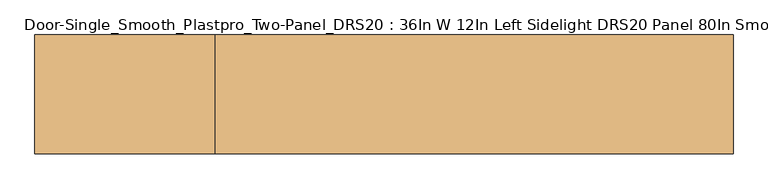
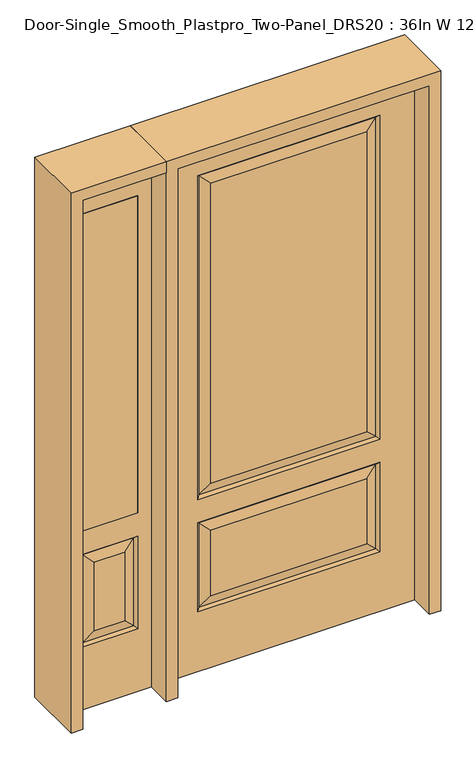
"""IFC4 building model written with IfcOpenShell, lengths in millimetres: door geometry, Door-Single_Smooth_Plastpro_Two-Panel_DRS20 : 36In W 12In Left Sidelight DRS20 Panel 80In Smooth."""

from ifc_helpers import new_model, si_unit, frame, origin, place, context, project, spatial, polyline, outline, extrude, faceted_brep, source, transform, mapped, element, save


def door_single_smooth_plastpro_two_panel_drs20_36in_w_12in_left_24a31879(model_context):
    return source(origin(), model_context, "Body", "SolidModel", [
        extrude(outline(polyline([(-549.275, -20.6375), (-752.475, -20.6375), (-752.475, 20.6375), (-549.275, 20.6375), (-549.275, -20.6375)])), frame((0.0, 0.0, 685.8), z_axis=(0.0, 0.0, 1.0), x_axis=(1.0, 0.0, 0.0)), (0.0, 0.0, 1.0), 1219.2),
        faceted_brep([(-803.275, -20.6375, 0.0), (-498.475, -20.6375, 0.0), (-498.475, -20.6375, 2032.0), (-803.275, -20.6375, 2032.0), (-549.275, -20.6375, 685.8), (-752.475, -20.6375, 685.8), (-752.475, -20.6375, 1905.0), (-549.275, -20.6375, 1905.0), (-549.275, -20.6375, 241.3), (-752.475, -20.6375, 241.3), (-752.475, -20.6375, 596.9), (-549.275, -20.6375, 596.9), (-706.4375, -20.6375, 287.3375), (-595.3125, -20.6375, 287.3375), (-595.3125, -20.6375, 550.8625), (-706.4375, -20.6375, 550.8625), (-803.275, 20.6375, 0.0), (-498.475, 20.6375, 0.0), (-498.475, 20.6375, 2032.0), (-803.275, 20.6375, 2032.0), (-558.2552561, -11.6572439, 250.2802561), (-743.4947439, -11.6572439, 250.2802561), (-743.4947439, -11.6572439, 587.9197439), (-558.2552561, -11.6572439, 587.9197439), (-549.275, 20.6375, 685.8), (-752.475, 20.6375, 685.8), (-752.475, 20.6375, 1905.0), (-549.275, 20.6375, 1905.0), (-752.475, 20.6375, 241.3), (-549.275, 20.6375, 241.3), (-549.275, 20.6375, 596.9), (-752.475, 20.6375, 596.9), (-595.3125, 20.6375, 287.3375), (-706.4375, 20.6375, 287.3375), (-706.4375, 20.6375, 550.8625), (-595.3125, 20.6375, 550.8625), (-743.4947439, 11.6572439, 250.2802561), (-558.2552561, 11.6572439, 250.2802561), (-558.2552561, 11.6572439, 587.9197439), (-743.4947439, 11.6572439, 587.9197439)], [[[0, 1, 2, 3], [4, 5, 6, 7], [8, 9, 10, 11]], [[12, 13, 14, 15]], [[1, 0, 16, 17]], [[2, 1, 17, 18]], [[0, 3, 19, 16]], [[20, 21, 9, 8]], [[9, 21, 22, 10]], [[10, 22, 23, 11]], [[20, 8, 11, 23]], [[21, 20, 13, 12]], [[13, 20, 23, 14]], [[22, 15, 14, 23]], [[21, 12, 15, 22]], [[4, 24, 25, 5]], [[5, 25, 26, 6]], [[24, 4, 7, 27]], [[16, 19, 18, 17], [25, 24, 27, 26], [28, 29, 30, 31]], [[32, 33, 34, 35]], [[28, 36, 37, 29]], [[29, 37, 38, 30]], [[39, 31, 30, 38]], [[36, 28, 31, 39]], [[37, 36, 33, 32]], [[33, 36, 39, 34]], [[34, 39, 38, 35]], [[37, 32, 35, 38]], [[3, 2, 18, 19]], [[27, 7, 6, 26]]]),
        faceted_brep([(457.2, 20.6375, 0.0), (457.2, -20.6375, 0.0), (-457.2, -20.6375, 0.0), (-457.2, 20.6375, 0.0), (457.2, 20.6375, 2032.0), (457.2, -20.6375, 2032.0), (-284.1625, -20.6375, 706.4375), (284.1625, -20.6375, 706.4375), (284.1625, -20.6375, 1858.9625), (-284.1625, -20.6375, 1858.9625), (-284.1625, -20.6375, 274.6375), (284.1625, -20.6375, 274.6375), (284.1625, -20.6375, 525.4625), (-284.1625, -20.6375, 525.4625), (-457.2, -20.6375, 2032.0), (330.2, -20.6375, 660.4), (-330.2, -20.6375, 660.4), (-330.2, -20.6375, 1905.0), (330.2, -20.6375, 1905.0), (330.2, -20.6375, 228.6), (-330.2, -20.6375, 228.6), (-330.2, -20.6375, 571.5), (330.2, -20.6375, 571.5), (-457.2, 20.6375, 2032.0), (-284.1625, 20.6375, 525.4625), (284.1625, 20.6375, 525.4625), (284.1625, 20.6375, 274.6375), (-284.1625, 20.6375, 274.6375), (-284.1625, 20.6375, 1858.9625), (284.1625, 20.6375, 1858.9625), (284.1625, 20.6375, 706.4375), (-284.1625, 20.6375, 706.4375), (330.2, 20.6375, 571.5), (-330.2, 20.6375, 571.5), (-330.2, 20.6375, 228.6), (330.2, 20.6375, 228.6), (330.2, 20.6375, 1905.0), (-330.2, 20.6375, 1905.0), (-330.2, 20.6375, 660.4), (330.2, 20.6375, 660.4), (-321.2197439, 11.6572439, 1896.0197439), (-321.2197439, 11.6572439, 669.3802561), (321.2197439, 11.6572439, 669.3802561), (321.2197439, 11.6572439, 1896.0197439), (321.2197439, 11.6572439, 562.5197439), (-321.2197439, 11.6572439, 562.5197439), (-321.2197439, 11.6572439, 237.5802561), (321.2197439, 11.6572439, 237.5802561), (321.2197439, -11.6572439, 669.3802561), (-321.2197439, -11.6572439, 669.3802561), (-321.2197439, -11.6572439, 1896.0197439), (321.2197439, -11.6572439, 1896.0197439), (321.2197439, -11.6572439, 237.5802561), (-321.2197439, -11.6572439, 237.5802561), (-321.2197439, -11.6572439, 562.5197439), (321.2197439, -11.6572439, 562.5197439)], [[[0, 1, 2, 3]], [[4, 5, 1, 0]], [[6, 7, 8, 9]], [[10, 11, 12, 13]], [[5, 14, 2, 1], [15, 16, 17, 18], [19, 20, 21, 22]], [[14, 23, 3, 2]], [[24, 25, 26, 27]], [[28, 29, 30, 31]], [[23, 4, 0, 3], [32, 33, 34, 35], [36, 37, 38, 39]], [[37, 40, 41, 38]], [[38, 41, 42, 39]], [[43, 36, 39, 42]], [[29, 43, 42, 30]], [[41, 31, 30, 42]], [[40, 28, 31, 41]], [[44, 45, 33, 32]], [[33, 45, 46, 34]], [[34, 46, 47, 35]], [[44, 32, 35, 47]], [[45, 44, 25, 24]], [[25, 44, 47, 26]], [[46, 27, 26, 47]], [[45, 24, 27, 46]], [[48, 49, 16, 15]], [[16, 49, 50, 17]], [[48, 15, 18, 51]], [[49, 48, 7, 6]], [[7, 48, 51, 8]], [[49, 6, 9, 50]], [[52, 53, 20, 19]], [[20, 53, 54, 21]], [[21, 54, 55, 22]], [[52, 19, 22, 55]], [[53, 52, 11, 10]], [[11, 52, 55, 12]], [[54, 13, 12, 55]], [[53, 10, 13, 54]], [[4, 23, 14, 5]], [[17, 50, 51, 18]], [[50, 9, 8, 51]], [[43, 40, 37, 36]], [[40, 43, 29, 28]]]),
        extrude(outline(polyline([(2032.0, -498.475), (2073.275, -498.475), (2073.275, -844.55), (0.0, -844.55), (0.0, -803.275), (2032.0, -803.275), (2032.0, -498.475)])), frame((0.0, -114.3, 0.0), z_axis=(0.0, 1.0, 0.0), x_axis=(0.0, 0.0, 1.0)), (0.0, 0.0, 1.0), 228.6),
        extrude(outline(polyline([(2073.275, -498.475), (0.0, -498.475), (0.0, -457.2), (2032.0, -457.2), (2032.0, 457.2), (0.0, 457.2), (0.0, 498.475), (2073.275, 498.475), (2073.275, -498.475)])), frame((0.0, -114.3, 0.0), z_axis=(0.0, 1.0, 0.0), x_axis=(0.0, 0.0, 1.0)), (0.0, 0.0, 1.0), 228.6),
    ])


if __name__ == "__main__":
    model = new_model("IFC4")
    model_context = context("Model", 3, world=origin())
    ifc_project = project(units=[si_unit("LENGTHUNIT", "METRE", prefix="MILLI")], contexts=[model_context])
    site = spatial("IfcSite", under=ifc_project)
    building = spatial("IfcBuilding", under=site)
    placement = place(None, origin())
    door_single_smooth_plastpro_two_panel_drs20_36in_w_12in_left_shape = door_single_smooth_plastpro_two_panel_drs20_36in_w_12in_left_24a31879(model_context)
    element("IfcDoor", 1, ObjectType="Door-Single_Smooth_Plastpro_Two-Panel_DRS20 : 36In W 12In Left Sidelight DRS20 Panel 80In Smooth", at=placement, inside=building, context=model_context, shape_type="MappedRepresentation", body=[
        mapped(door_single_smooth_plastpro_two_panel_drs20_36in_w_12in_left_shape, transform((0.0, 0.0, 0.0), x_axis=(1.0, 0.0, 0.0), y_axis=(0.0, 1.0, 0.0), z_axis=(0.0, 0.0, 1.0))),
    ])
    save(model, "model.ifc")
